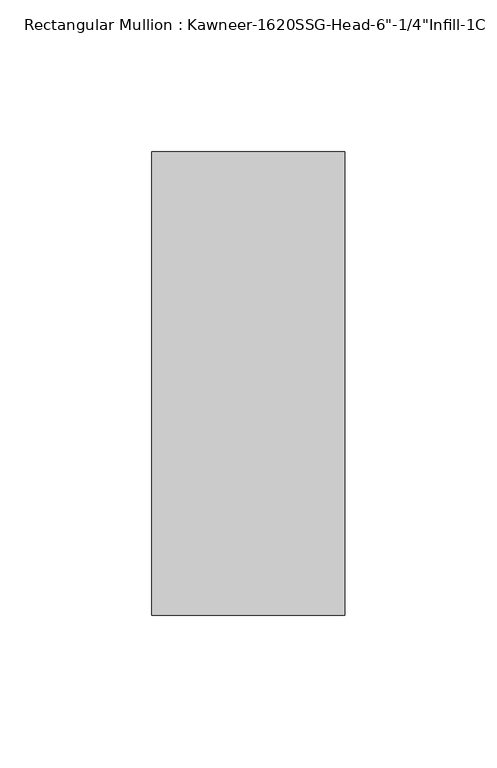
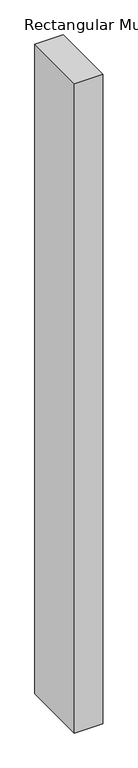
"""IFC4 building model written with IfcOpenShell, lengths in millimetres: member geometry."""

from ifc_helpers import new_model, si_unit, frame, origin, place, context, project, spatial, polyline, outline, extrude, source, transform, mapped, element, save


def member_9b72a455(model_context):
    return source(origin(), model_context, "Body", "SweptSolid", [
        extrude(outline(polyline([(-63.5, 28.575), (0.0, 28.575), (0.0, -123.825), (-63.5, -123.825), (-63.5, 28.575)])), frame((0.0, 0.0, -1531.3421875), z_axis=(0.0, 0.0, 1.0), x_axis=(1.0, 0.0, 0.0)), (0.0, 0.0, 1.0), 1531.3421875),
    ])


if __name__ == "__main__":
    model = new_model("IFC4")
    model_context = context("Model", 3, world=origin())
    ifc_project = project(units=[si_unit("LENGTHUNIT", "METRE", prefix="MILLI")], contexts=[model_context])
    site = spatial("IfcSite", under=ifc_project)
    building = spatial("IfcBuilding", under=site)
    placement = place(None, origin())
    member_shape = member_9b72a455(model_context)
    element("IfcMember", 1, ObjectType="Rectangular Mullion : Kawneer-1620SSG-Head-6\"-1/4\"Infill-1C", at=placement, inside=building, context=model_context, shape_type="MappedRepresentation", body=[
        mapped(member_shape, transform((0.0, 0.0, 0.0), x_axis=(1.0, 0.0, 0.0), y_axis=(0.0, 1.0, 0.0), z_axis=(0.0, 0.0, 1.0))),
    ])
    save(model, "model.ifc")
